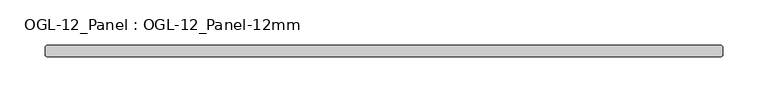
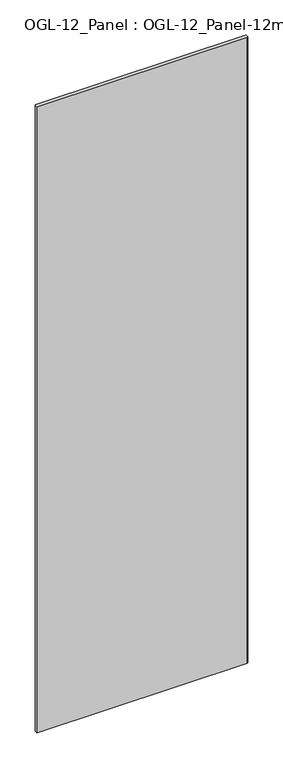
"""IFC4 building model written with IfcOpenShell, lengths in millimetres: plate geometry, OGL-12_Panel : OGL-12_Panel-12mm."""

from ifc_helpers import new_model, si_unit, origin, origin_with_axes, place, context, project, spatial, polyline, outline, extrude, source, transform, mapped, element, save


def ogl_12_panel_ogl_12_panel_12mm_51aa08ea(model_context):
    return source(origin(), model_context, "Body", "SweptSolid", [
        extrude(outline(polyline([(371.078125, 29.1703125), (372.665625, 27.5828125), (372.665625, 18.0578125), (371.078125, 16.4703125), (-371.078125, 16.4703125), (-372.665625, 18.0578125), (-372.665625, 27.5828125), (-371.078125, 29.1703125), (371.078125, 29.1703125)])), origin_with_axes(), (0.0, 0.0, 1.0), 2339.914687),
    ])


if __name__ == "__main__":
    model = new_model("IFC4")
    model_context = context("Model", 3, world=origin())
    ifc_project = project(units=[si_unit("LENGTHUNIT", "METRE", prefix="MILLI")], contexts=[model_context])
    site = spatial("IfcSite", under=ifc_project)
    building = spatial("IfcBuilding", under=site)
    placement = place(None, origin())
    ogl_12_panel_ogl_12_panel_12mm_shape = ogl_12_panel_ogl_12_panel_12mm_51aa08ea(model_context)
    element("IfcPlate", 1, ObjectType="OGL-12_Panel : OGL-12_Panel-12mm", at=placement, inside=building, context=model_context, shape_type="MappedRepresentation", body=[
        mapped(ogl_12_panel_ogl_12_panel_12mm_shape, transform((0.0, 0.0, 0.0), x_axis=(1.0, 0.0, 0.0), y_axis=(0.0, 1.0, 0.0), z_axis=(0.0, 0.0, 1.0))),
    ])
    save(model, "model.ifc")
